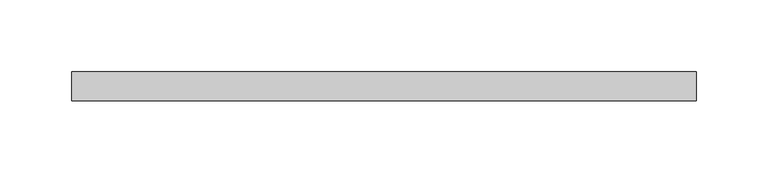
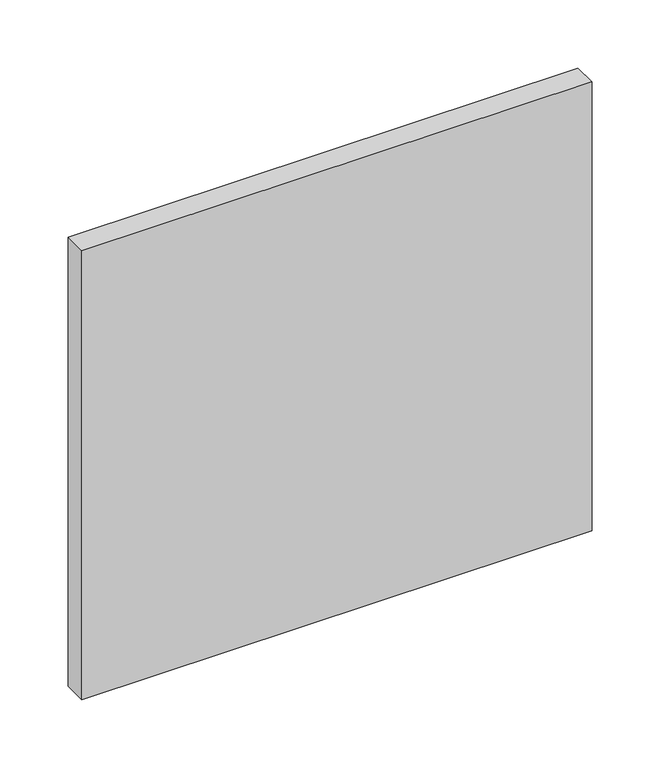
"""IFC4 building model written with IfcOpenShell, lengths in millimetres: plate geometry."""

from ifc_helpers import new_model, si_unit, origin, origin_with_axes, place, context, project, spatial, polyline, outline, extrude, source, transform, mapped, element, save


def plate_92fc2077(model_context):
    return source(origin(), model_context, "Body", "SweptSolid", [
        extrude(outline(polyline([(216.6666667, -90.0), (-216.6666667, -90.0), (-216.6666667, -70.0), (216.6666667, -70.0), (216.6666667, -90.0)])), origin_with_axes(), (0.0, 0.0, 1.0), 403.3552083),
    ])


if __name__ == "__main__":
    model = new_model("IFC4")
    model_context = context("Model", 3, world=origin())
    ifc_project = project(units=[si_unit("LENGTHUNIT", "METRE", prefix="MILLI")], contexts=[model_context])
    site = spatial("IfcSite", under=ifc_project)
    building = spatial("IfcBuilding", under=site)
    placement = place(None, origin())
    plate_shape = plate_92fc2077(model_context)
    element("IfcPlate", 1, at=placement, inside=building, context=model_context, shape_type="MappedRepresentation", body=[
        mapped(plate_shape, transform((0.0, 0.0, 0.0), x_axis=(1.0, 0.0, 0.0), y_axis=(0.0, 1.0, 0.0), z_axis=(0.0, 0.0, 1.0))),
    ])
    save(model, "model.ifc")
